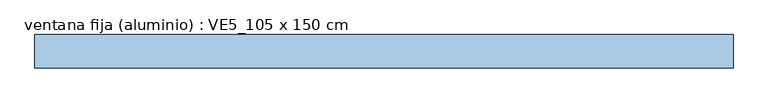
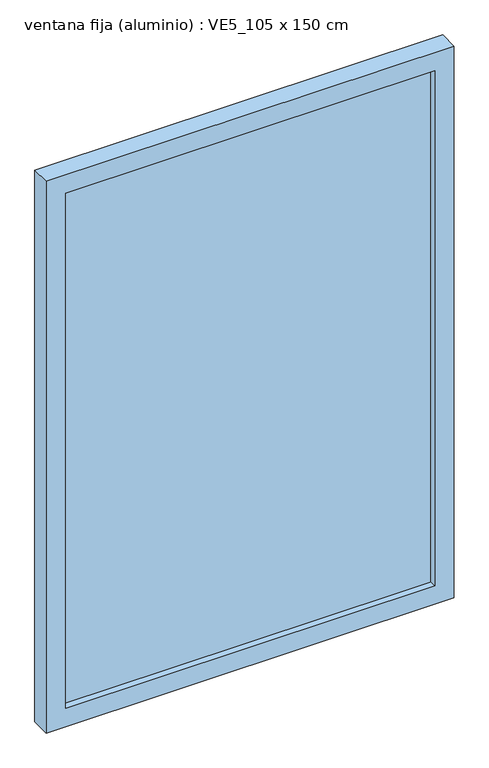
"""IFC4 building model written with IfcOpenShell, lengths in millimetres: window geometry, ventana fija (aluminio) : VE5_105 x 150 cm."""

from ifc_helpers import new_model, si_unit, frame, origin, place, context, project, spatial, polyline, outline, extrude, source, transform, mapped, element, save


def ventana_fija_aluminio_ve5_105_x_150_cm_c7a2c071(model_context):
    return source(origin(), model_context, "Body", "SweptSolid", [
        extrude(outline(polyline([(475.0, 116.5), (-475.0, 116.5), (-475.0, 131.5), (475.0, 131.5), (475.0, 116.5)])), frame((0.0, 0.0, 850.0), z_axis=(0.0, 0.0, 1.0), x_axis=(1.0, 0.0, 0.0)), (0.0, 0.0, 1.0), 1400.0),
        extrude(outline(polyline([(2300.0, -525.0), (800.0, -525.0), (800.0, 525.0), (2300.0, 525.0), (2300.0, -525.0)]), holes=[polyline([(2250.0, -475.0), (2250.0, 475.0), (850.0, 475.0), (850.0, -475.0), (2250.0, -475.0)])]), frame((0.0, 99.0, 0.0), z_axis=(0.0, 1.0, 0.0), x_axis=(0.0, 0.0, 1.0)), (0.0, 0.0, 1.0), 50.0),
    ])


if __name__ == "__main__":
    model = new_model("IFC4")
    model_context = context("Model", 3, world=origin())
    ifc_project = project(units=[si_unit("LENGTHUNIT", "METRE", prefix="MILLI")], contexts=[model_context])
    site = spatial("IfcSite", under=ifc_project)
    building = spatial("IfcBuilding", under=site)
    placement = place(None, origin())
    ventana_fija_aluminio_ve5_105_x_150_cm_shape = ventana_fija_aluminio_ve5_105_x_150_cm_c7a2c071(model_context)
    element("IfcWindow", 1, ObjectType="ventana fija (aluminio) : VE5_105 x 150 cm", at=placement, inside=building, context=model_context, shape_type="MappedRepresentation", body=[
        mapped(ventana_fija_aluminio_ve5_105_x_150_cm_shape, transform((0.0, 0.0, 0.0), x_axis=(1.0, 0.0, 0.0), y_axis=(0.0, 1.0, 0.0), z_axis=(0.0, 0.0, 1.0))),
    ])
    save(model, "model.ifc")
